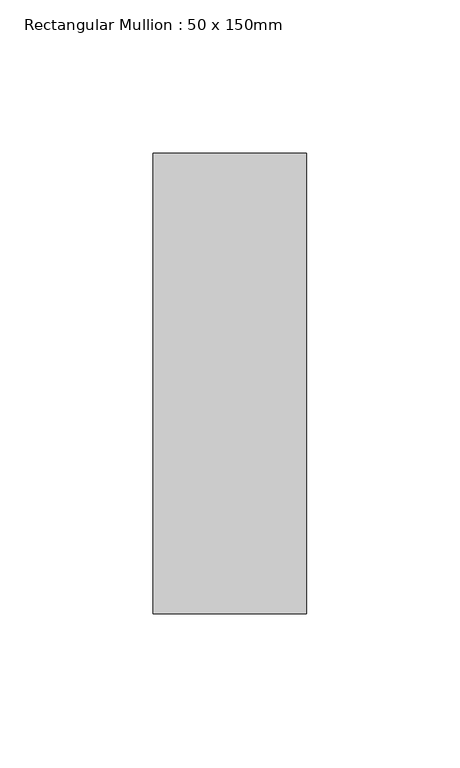
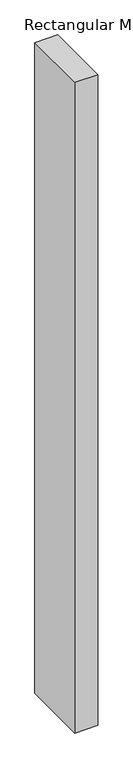
"""IFC4 building model written with IfcOpenShell, lengths in millimetres: member geometry, Rectangular Mullion : 50 x 150mm."""

from ifc_helpers import new_model, si_unit, frame, origin, place, context, project, spatial, polyline, outline, extrude, source, transform, mapped, element, save


def rectangular_mullion_50_x_150mm_2ff17524(model_context):
    return source(origin(), model_context, "Body", "SweptSolid", [
        extrude(outline(polyline([(25.0, 75.0), (25.0, -75.0), (-25.0, -75.0), (-25.0, 75.0), (25.0, 75.0)])), frame((0.0, 0.0, -1494.1489137), z_axis=(0.0, 0.0, 1.0), x_axis=(1.0, 0.0, 0.0)), (0.0, 0.0, 1.0), 1494.1489137),
    ])


if __name__ == "__main__":
    model = new_model("IFC4")
    model_context = context("Model", 3, world=origin())
    ifc_project = project(units=[si_unit("LENGTHUNIT", "METRE", prefix="MILLI")], contexts=[model_context])
    site = spatial("IfcSite", under=ifc_project)
    building = spatial("IfcBuilding", under=site)
    placement = place(None, origin())
    rectangular_mullion_50_x_150mm_shape = rectangular_mullion_50_x_150mm_2ff17524(model_context)
    element("IfcMember", 1, ObjectType="Rectangular Mullion : 50 x 150mm", at=placement, inside=building, context=model_context, shape_type="MappedRepresentation", body=[
        mapped(rectangular_mullion_50_x_150mm_shape, transform((0.0, 0.0, 0.0), x_axis=(1.0, 0.0, 0.0), y_axis=(0.0, 1.0, 0.0), z_axis=(0.0, 0.0, 1.0))),
    ])
    save(model, "model.ifc")
